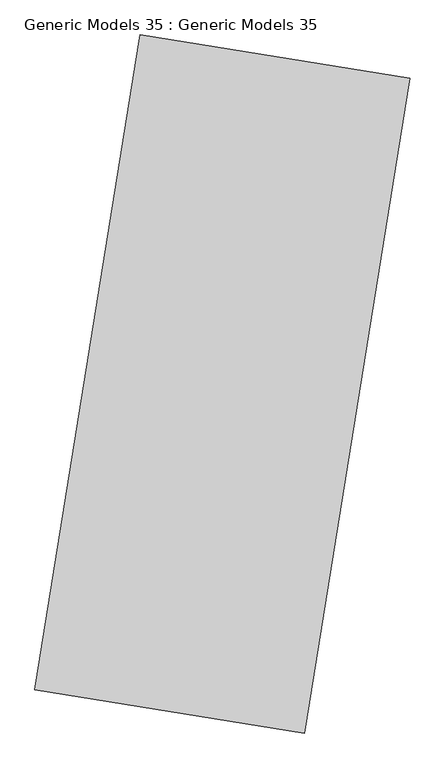
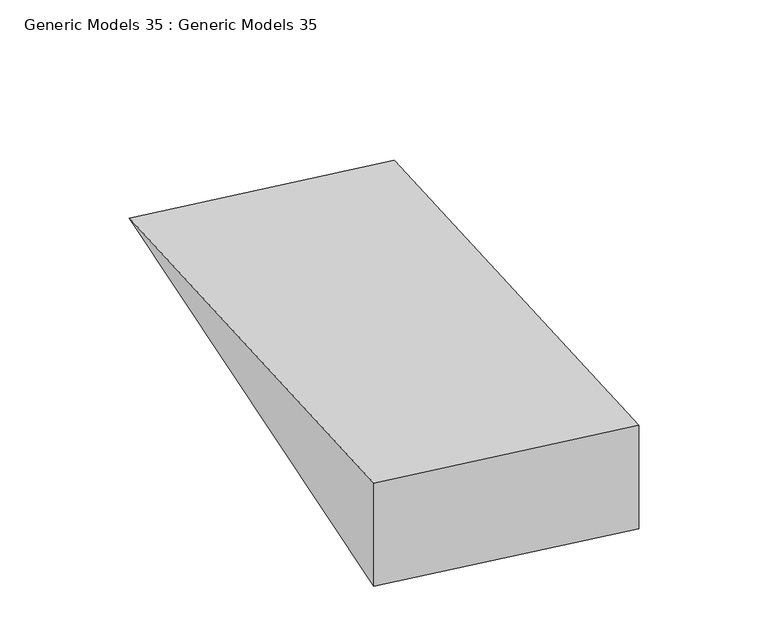
"""IFC4 building model written with IfcOpenShell, lengths in millimetres: proxy geometry, Generic Models 35 : Generic Models 35."""

from ifc_helpers import new_model, si_unit, frame, origin, place, context, project, spatial, polyline, outline, extrude, source, transform, mapped, element, save


def generic_models_35_generic_models_35_fca5debf(model_context):
    return source(origin(), model_context, "Body", "SweptSolid", [
        extrude(outline(polyline([(680.0, 0.0), (680.0, -3710.079923), (0.0, 0.0), (680.0, 0.0)])), frame((-255451.3593098, -26367.6324808, 680.0), z_axis=(-0.9873044656456607, 0.1588392020759876, 0.0), x_axis=(0.0, 0.0, -1.0)), (0.0, 0.0, 1.0), 1529.8073437),
    ])


if __name__ == "__main__":
    model = new_model("IFC4")
    model_context = context("Model", 3, world=origin())
    ifc_project = project(units=[si_unit("LENGTHUNIT", "METRE", prefix="MILLI")], contexts=[model_context])
    site = spatial("IfcSite", under=ifc_project)
    building = spatial("IfcBuilding", under=site)
    placement = place(None, origin())
    generic_models_35_generic_models_35_shape = generic_models_35_generic_models_35_fca5debf(model_context)
    element("IfcBuildingElementProxy", 1, Name="Generic Models 35 : Generic Models 35", ObjectType="Generic Models 35 : Generic Models 35", at=placement, inside=building, context=model_context, shape_type="MappedRepresentation", body=[
        mapped(generic_models_35_generic_models_35_shape, transform((0.0, 0.0, 0.0), x_axis=(1.0, 0.0, 0.0), y_axis=(0.0, 1.0, 0.0), z_axis=(0.0, 0.0, 1.0))),
    ])
    save(model, "model.ifc")
